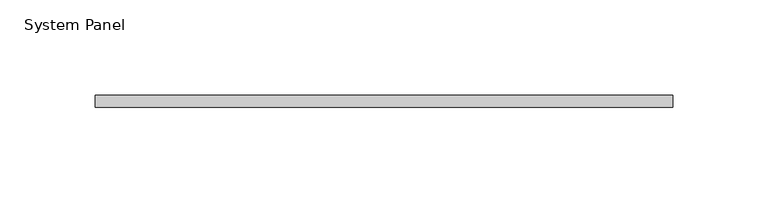
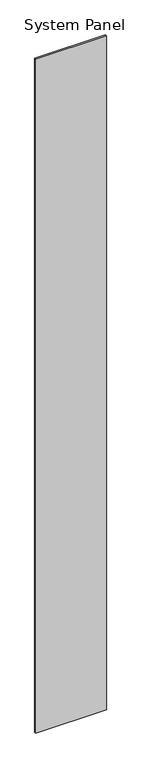
"""IFC4 building model written with IfcOpenShell, lengths in millimetres: plate geometry, System Panel."""

from ifc_helpers import new_model, si_unit, origin, origin_with_axes, place, context, project, spatial, polyline, outline, extrude, source, transform, mapped, element, save


def system_panel_db8e3511(model_context):
    return source(origin(), model_context, "Body", "SweptSolid", [
        extrude(outline(polyline([(151.3880059, -6.35), (-151.3880059, -6.35), (-151.3880059, 0.0), (151.3880059, 0.0), (151.3880059, -6.35)])), origin_with_axes(), (0.0, 0.0, 1.0), 3048.0),
    ])


if __name__ == "__main__":
    model = new_model("IFC4")
    model_context = context("Model", 3, world=origin())
    ifc_project = project(units=[si_unit("LENGTHUNIT", "METRE", prefix="MILLI")], contexts=[model_context])
    site = spatial("IfcSite", under=ifc_project)
    building = spatial("IfcBuilding", under=site)
    placement = place(None, origin())
    system_panel_shape = system_panel_db8e3511(model_context)
    element("IfcPlate", 1, ObjectType="System Panel", at=placement, inside=building, context=model_context, shape_type="MappedRepresentation", body=[
        mapped(system_panel_shape, transform((0.0, 0.0, 0.0), x_axis=(1.0, 0.0, 0.0), y_axis=(0.0, 1.0, 0.0), z_axis=(0.0, 0.0, 1.0))),
    ])
    save(model, "model.ifc")
